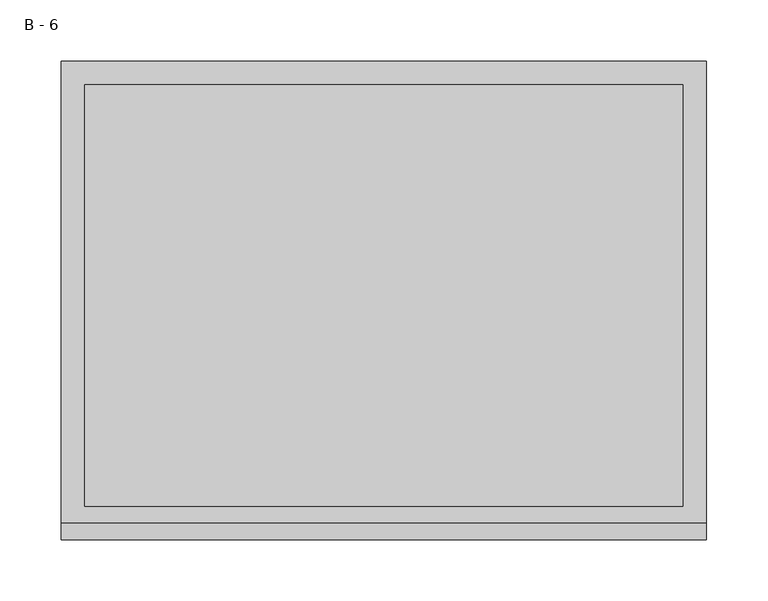
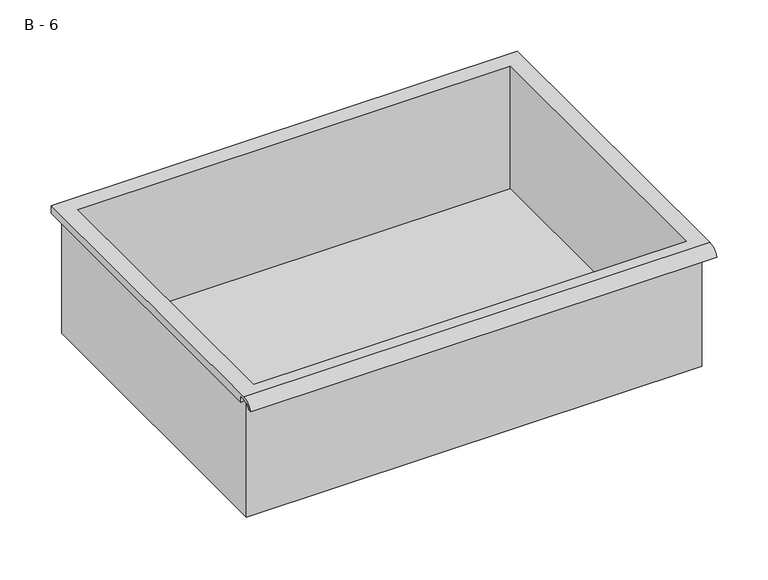
"""IFC4 building model written with IfcOpenShell, lengths in millimetres: furniture geometry, B - 6."""

from ifc_helpers import new_model, si_unit, frame, origin, place, context, project, spatial, polyline, circle_curve, source, transform, mapped, element, save
from ifc_brep_helpers import plane_surface, cylinder_surface, revolved_surface, advanced_brep


def b_6_3c0962a3(model_context):
    return source(origin(), model_context, "Body", "AdvancedBrep", [
        advanced_brep(
        [(-257.1076517, -176.2125, 641.38048), (257.2423483, -176.2125, 641.38048), (257.2423483, -176.2125, 781.08048), (263.5923483, -176.2125, 781.08048), (263.5923483, -176.2125, 787.3876141), (-263.4576517, -176.2125, 787.3876141), (-263.4576517, -176.2125, 781.08048), (-257.1076517, -176.2125, 781.08048), (257.2423483, 185.7375, 641.38048), (-257.1076517, 185.7375, 641.38048), (-257.1076517, 185.7375, 781.08048), (257.2423483, 185.7375, 781.08048), (263.5923483, -181.6070544, 790.60548), (263.5923483, 195.2625, 790.60548), (-263.4576517, 195.2625, 790.60548), (-263.4576517, -181.6070544, 790.60548), (244.5423483, -168.275, 790.60548), (-244.4076517, -168.275, 790.60548), (-244.4076517, 176.2125, 790.60548), (244.5423483, 176.2125, 790.60548), (263.5923483, -195.2625, 781.08048), (263.5923483, -191.8280601, 781.08048), (263.5923483, -180.4714815, 787.3876141), (263.5923483, 195.2625, 781.08048), (-263.4576517, 195.2625, 781.08048), (-263.4576517, -180.4714815, 787.3876141), (-263.4576517, -191.8280601, 781.08048), (-263.4576517, -195.2625, 781.08048), (-244.4076517, -168.275, 644.4066519), (244.5423483, -168.275, 644.4066519), (244.5423483, 176.2125, 644.4066519), (-244.4076517, 176.2125, 644.4066519)],
        [
            (0, 1),
            (1, 2),
            (2, 3),
            (3, 4),
            (4, 5),
            (5, 6),
            (6, 7),
            (7, 0),
            (8, 9),
            (9, 10),
            (10, 11),
            (11, 8),
            (0, 9),
            (8, 1),
            (11, 2),
            (12, 13),
            (13, 14),
            (14, 15),
            (15, 12),
            (16, 17),
            (17, 18),
            (18, 19),
            (19, 16),
            (7, 10),
            (12, 20, circle_curve(frame((263.5923483, -181.6070544, 776.0544659), z_axis=(1.0, 0.0, 0.0), x_axis=(0.0, 1.0, 0.0)), 14.5510141)),
            (20, 21),
            (21, 22, circle_curve(frame((263.5923483, -181.6070544, 776.0544659), z_axis=(-1.0, 0.0, 0.0), x_axis=(0.0, 1.0, 0.0)), 11.3898979)),
            (22, 4),
            (3, 23),
            (23, 13),
            (14, 24),
            (24, 6),
            (5, 25),
            (25, 26, circle_curve(frame((-263.4576517, -181.6070544, 776.0544659), z_axis=(1.0, 0.0, 0.0), x_axis=(0.0, 1.0, 0.0)), 11.3898979)),
            (26, 27),
            (27, 15, circle_curve(frame((-263.4576517, -181.6070544, 776.0544659), z_axis=(-1.0, 0.0, 0.0), x_axis=(0.0, 1.0, 0.0)), 14.5510141)),
            (27, 20),
            (26, 21),
            (25, 22),
            (24, 23),
            (28, 29),
            (29, 30),
            (30, 31),
            (31, 28),
            (28, 17),
            (16, 29),
            (19, 30),
            (18, 31),
        ],
        [
            plane_surface(frame((257.2423483, -176.2125, 641.38048), z_axis=(0.0, -1.0, 0.0), x_axis=(1.0, 0.0, 0.0))),
            plane_surface(frame((257.2423483, 185.7375, 641.38048), z_axis=(0.0, 1.0, 0.0), x_axis=(-1.0, 0.0, 0.0))),
            plane_surface(frame((-257.1076517, -176.2125, 641.38048), z_axis=(0.0, 0.0, -1.0), x_axis=(0.0, 1.0, 0.0))),
            plane_surface(frame((257.2423483, -176.2125, 641.38048), z_axis=(1.0, 0.0, 0.0), x_axis=(0.0, 1.0, 0.0))),
            plane_surface(frame((257.2423483, -176.2125, 790.60548), z_axis=(0.0, 0.0, 1.0), x_axis=(0.0, 1.0, 0.0))),
            plane_surface(frame((-257.1076517, -176.2125, 790.60548), z_axis=(-1.0, 0.0, 0.0), x_axis=(0.0, 1.0, 0.0))),
            plane_surface(frame((263.5923483, 195.2625, 790.60548), z_axis=(1.0, 0.0, 0.0), x_axis=(0.0, -1.0, 0.0))),
            plane_surface(frame((-263.4576517, 195.2625, 790.60548), z_axis=(-1.0, 0.0, 0.0), x_axis=(0.0, 1.0, 0.0))),
            cylinder_surface(frame((-263.4576517, -181.6070544, 776.0544659), z_axis=(1.0, 0.0, 0.0), x_axis=(0.0, 1.0, 0.0)), 14.5510141),
            plane_surface(frame((263.5923483, -195.2625, 781.08048), z_axis=(0.0, -7.172997036885581e-12, -1.0), x_axis=(-1.0, 0.0, 0.0))),
            revolved_surface(polyline([(-263.4576517, -170.21715650000002, 776.0544659), (263.59234829999997, -170.21715650000002, 776.0544659)]), (-263.4576517, -181.6070544, 776.0544659), (-1.0, 0.0, 0.0)),
            plane_surface(frame((263.5923483, -180.4714815, 787.3876141), z_axis=(0.0, -1.7766064657785458e-11, -1.0), x_axis=(-1.0, 0.0, 0.0))),
            plane_surface(frame((263.5923483, -176.2125, 781.08048), z_axis=(0.0, 0.0, -1.0), x_axis=(-1.0, 0.0, 0.0))),
            plane_surface(frame((263.5923483, 195.2625, 781.08048), z_axis=(0.0, 1.0, 0.0), x_axis=(-1.0, 0.0, 0.0))),
            plane_surface(frame((244.5423483, -168.275, 644.4066519), z_axis=(0.0, 0.0, 1.0), x_axis=(-1.0, 0.0, 0.0))),
            plane_surface(frame((-244.4076517, -168.275, 790.60548), z_axis=(0.0, 1.0, 0.0), x_axis=(0.0, 0.0, -1.0))),
            plane_surface(frame((244.5423483, -168.275, 790.60548), z_axis=(-1.0, 0.0, 0.0), x_axis=(0.0, 0.0, -1.0))),
            plane_surface(frame((244.5423483, 176.2125, 790.60548), z_axis=(0.0, -1.0, 0.0), x_axis=(0.0, 0.0, -1.0))),
            plane_surface(frame((-244.4076517, 176.2125, 790.60548), z_axis=(1.0, 0.0, 0.0), x_axis=(0.0, 0.0, -1.0))),
        ],
        [
            (0, [[1, 2, 3, 4, 5, 6, 7, 8]]),
            (1, [[9, 10, 11, 12]]),
            (2, [[-1, 13, -9, 14]]),
            (3, [[-14, -12, 15, -2]]),
            (4, [[16, 17, 18, 19], [20, 21, 22, 23]]),
            (5, [[-13, -8, 24, -10]]),
            (6, [[-16, 25, 26, 27, 28, -4, 29, 30]]),
            (7, [[31, 32, -6, 33, 34, 35, 36, -18]]),
            (8, [[-25, -19, -36, 37]]),
            (9, [[-26, -37, -35, 38]]),
            (10, [[-27, -38, -34, 39]]),
            (11, [[-28, -39, -33, -5]]),
            (12, [[-29, -3, -15, -11, -24, -7, -32, 40]]),
            (13, [[-30, -40, -31, -17]]),
            (14, [[41, 42, 43, 44]]),
            (15, [[-41, 45, -20, 46]]),
            (16, [[-42, -46, -23, 47]]),
            (17, [[-43, -47, -22, 48]]),
            (18, [[-44, -48, -21, -45]]),
        ],
    ),
    ])


if __name__ == "__main__":
    model = new_model("IFC4")
    model_context = context("Model", 3, world=origin())
    ifc_project = project(units=[si_unit("LENGTHUNIT", "METRE", prefix="MILLI")], contexts=[model_context])
    site = spatial("IfcSite", under=ifc_project)
    building = spatial("IfcBuilding", under=site)
    placement = place(None, origin())
    b_6_shape = b_6_3c0962a3(model_context)
    element("IfcFurniture", 1, ObjectType="B - 6", at=placement, inside=building, context=model_context, shape_type="MappedRepresentation", body=[
        mapped(b_6_shape, transform((0.0, 0.0, 0.0), x_axis=(1.0, 0.0, 0.0), y_axis=(0.0, 1.0, 0.0), z_axis=(0.0, 0.0, 1.0))),
    ])
    save(model, "model.ifc")
